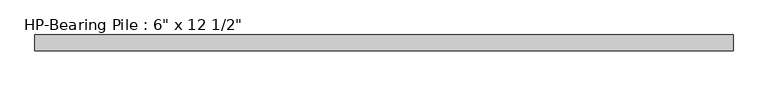
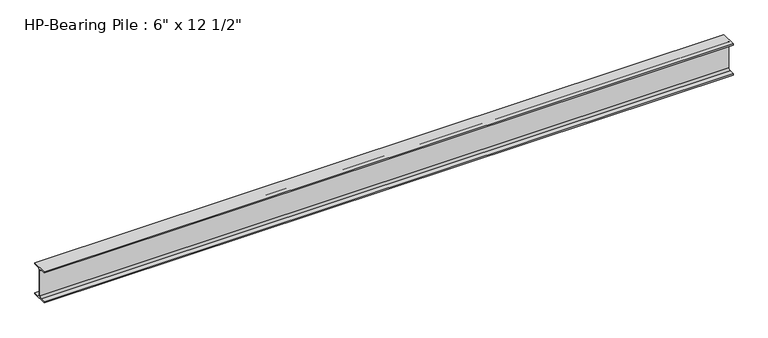
"""IFC4 building model written with IfcOpenShell, lengths in millimetres: beam geometry."""

from ifc_helpers import new_model, si_unit, point, frame, frame_2d, origin, place, context, project, spatial, polyline, circle_curve, trimmed, segment, composite_curve, outline, extrude, source, transform, mapped, element, save


def beam_06a13334(model_context):
    return source(origin(), model_context, "Body", "SweptSolid", [
        extrude(outline(composite_curve([segment(polyline([(76.2, -146.05), (76.2, -158.75), (-76.2, -158.75), (-76.2, -146.05), (-25.4, -146.05)]), True, "CONTINUOUS"), segment(trimmed(circle_curve(frame_2d((-25.4, -127.0)), 19.05), [point((-25.4, -146.05))], [point((-6.35, -127.0))], True, "CARTESIAN"), True, "CONTINUOUS"), segment(polyline([(-6.35, -127.0), (-6.35, 127.0)]), True, "CONTINUOUS"), segment(trimmed(circle_curve(frame_2d((-25.4, 127.0)), 19.05), [point((-6.35, 127.0))], [point((-25.4, 146.05))], True, "CARTESIAN"), True, "CONTINUOUS"), segment(polyline([(-25.4, 146.05), (-76.2, 146.05), (-76.2, 158.75), (76.2, 158.75), (76.2, 146.05), (25.4, 146.05)]), True, "CONTINUOUS"), segment(trimmed(circle_curve(frame_2d((25.4, 127.0)), 19.05), [point((25.4, 146.05))], [point((6.35, 127.0))], True, "CARTESIAN"), True, "CONTINUOUS"), segment(polyline([(6.35, 127.0), (6.35, -127.0)]), True, "CONTINUOUS"), segment(trimmed(circle_curve(frame_2d((25.4, -127.0)), 19.05), [point((6.35, -127.0))], [point((25.4, -146.05))], True, "CARTESIAN"), True, "CONTINUOUS"), segment(polyline([(25.4, -146.05), (76.2, -146.05)]), True, "CONTINUOUS")], self_intersect=False)), frame((-3315.9255821, 0.0, 0.0), z_axis=(1.0, 0.0, 0.0), x_axis=(0.0, 1.0, 0.0)), (0.0, 0.0, 1.0), 6631.8511643),
    ])


if __name__ == "__main__":
    model = new_model("IFC4")
    model_context = context("Model", 3, world=origin())
    ifc_project = project(units=[si_unit("LENGTHUNIT", "METRE", prefix="MILLI")], contexts=[model_context])
    site = spatial("IfcSite", under=ifc_project)
    building = spatial("IfcBuilding", under=site)
    placement = place(None, origin())
    beam_shape = beam_06a13334(model_context)
    element("IfcBeam", 1, ObjectType="HP-Bearing Pile : 6\" x 12 1/2\"", at=placement, inside=building, context=model_context, shape_type="MappedRepresentation", body=[
        mapped(beam_shape, transform((0.0, 0.0, 0.0), x_axis=(1.0, 0.0, 0.0), y_axis=(0.0, 1.0, 0.0), z_axis=(0.0, 0.0, 1.0))),
    ])
    save(model, "model.ifc")
